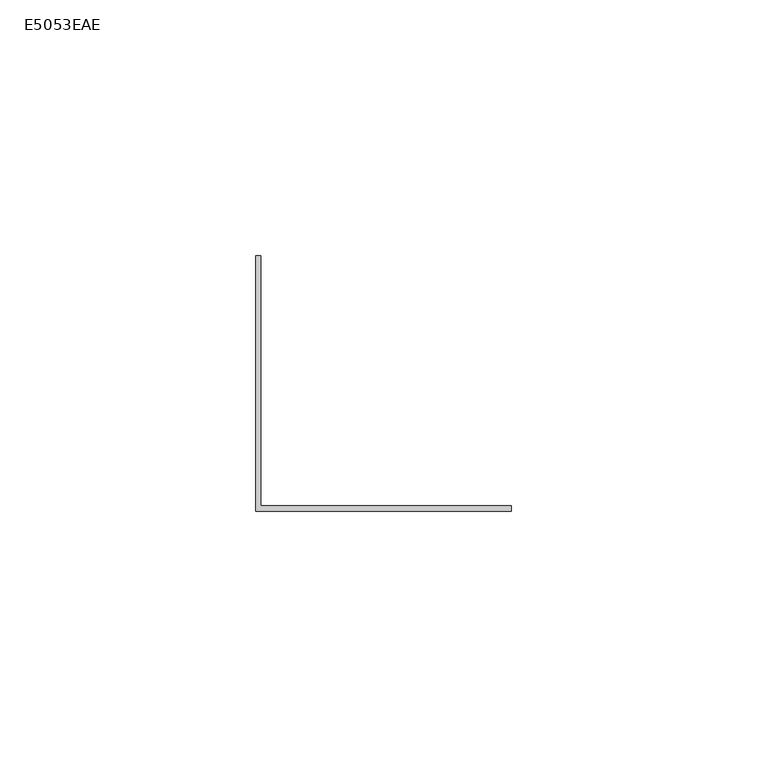
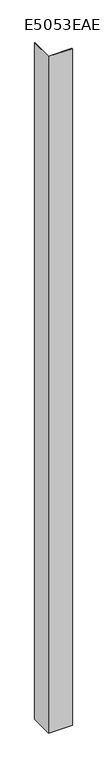
"""IFC4 building model written with IfcOpenShell, lengths in millimetres: proxy geometry, E5053EAE."""

from ifc_helpers import new_model, si_unit, origin, origin_with_axes, place, context, project, spatial, polyline, outline, extrude, source, transform, mapped, element, save


def e5053eae_9a0b538a(model_context):
    return source(origin(), model_context, "Body", "SweptSolid", [
        extrude(outline(polyline([(-5.0, 45.0), (-4.0, 45.0), (-4.0, -4.0), (45.0, -4.0), (45.0, -5.0), (-5.0, -5.0), (-5.0, 45.0)])), origin_with_axes(), (0.0, 0.0, 1.0), 1500.0),
    ])


if __name__ == "__main__":
    model = new_model("IFC4")
    model_context = context("Model", 3, world=origin())
    ifc_project = project(units=[si_unit("LENGTHUNIT", "METRE", prefix="MILLI")], contexts=[model_context])
    site = spatial("IfcSite", under=ifc_project)
    building = spatial("IfcBuilding", under=site)
    placement = place(None, origin())
    e5053eae_shape = e5053eae_9a0b538a(model_context)
    element("IfcBuildingElementProxy", 1, Name="E5053EAE", ObjectType="E5053EAE", at=placement, inside=building, context=model_context, shape_type="MappedRepresentation", body=[
        mapped(e5053eae_shape, transform((0.0, 0.0, 0.0), x_axis=(1.0, 0.0, 0.0), y_axis=(0.0, 1.0, 0.0), z_axis=(0.0, 0.0, 1.0))),
    ])
    save(model, "model.ifc")
